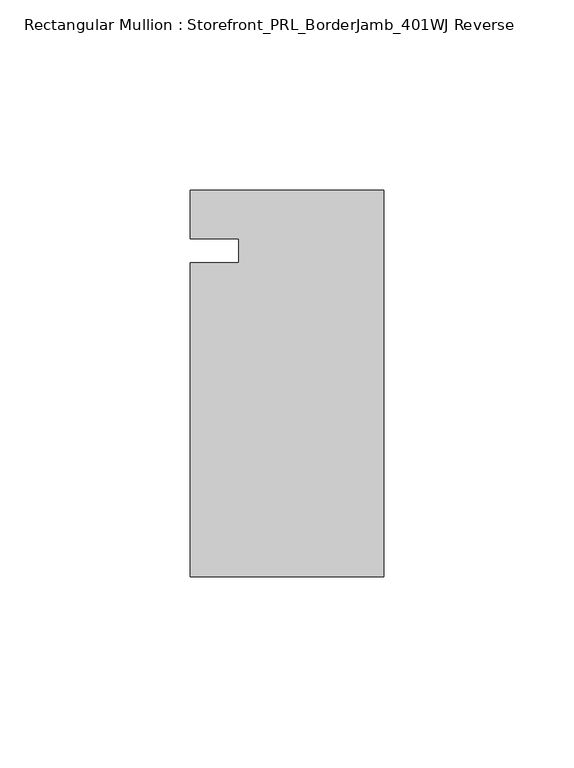
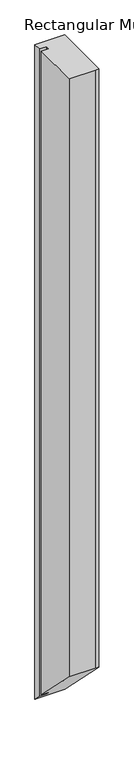
"""IFC4 building model written with IfcOpenShell, lengths in millimetres: member geometry, Rectangular Mullion : Storefront_PRL_BorderJamb_401WJ Reverse."""

import ifcopenshell
import ifcopenshell.guid

model = None  # the IFC model being written
_history = None  # IfcOwnerHistory: only IFC2X3 demands one
_inside = {}  # id of a spatial element -> (the spatial element, [elements in it])
_under = {}  # id of a project, library or spatial element -> (it, [spatial elements below it])
_declared = {}  # id of a project -> (the project, [libraries it declares])
_typed = {}  # id of a type object -> (the type object, [elements of that type])
_made_of = {}  # id of a material, layer set ... -> (it, [elements and type objects made of it])


def new_model(schema):
    """Start an empty IFC model of exactly this schema.

    Asked for "IFC4X3", IfcOpenShell would pick the latest addendum, in which some entities
    have other attributes; the version numbers below select the first issue.
    IFC2X3 requires an IfcOwnerHistory on every rooted entity: one is made here for all.
    """
    global model, _history
    if schema == "IFC4X3":
        model = ifcopenshell.file(schema_version=(4, 3, 0, 0))
    else:
        model = ifcopenshell.file(schema=schema)
    _inside.clear()
    _under.clear()
    _declared.clear()
    _typed.clear()
    _made_of.clear()
    _history = None
    if model.schema == "IFC2X3":
        org = make("IfcOrganization", Name="unknown")
        user = make(
            "IfcPersonAndOrganization",
            ThePerson=make("IfcPerson", FamilyName="unknown"),
            TheOrganization=org,
        )
        app = make(
            "IfcApplication",
            ApplicationDeveloper=org,
            Version="unknown",
            ApplicationFullName="unknown",
            ApplicationIdentifier="unknown",
        )
        _history = make(
            "IfcOwnerHistory",
            OwningUser=user,
            OwningApplication=app,
            ChangeAction="ADDED",
            CreationDate=0,
        )
    return model


def make(cls, **values):
    """One entity of the class cls with the attributes given. An attribute that is None is left unset."""
    return model.create_entity(
        cls, **{name: value for name, value in values.items() if value is not None}
    )


def rooted(cls, **values):
    """An entity with a GlobalId (a new one), such as an element, a storey or a relation."""
    return make(cls, GlobalId=ifcopenshell.guid.new(), OwnerHistory=_history, **values)


def si_unit(unit_type, name, prefix=None):
    """IfcSIUnit, for example si_unit("LENGTHUNIT", "METRE", prefix="MILLI")."""
    return make("IfcSIUnit", UnitType=unit_type, Prefix=prefix, Name=name)


def assignment(units):
    """IfcUnitAssignment: the units of a project."""
    return None if units is None else make("IfcUnitAssignment", Units=units)


def point(xyz):
    """IfcCartesianPoint."""
    return None if xyz is None else make("IfcCartesianPoint", Coordinates=xyz)


def direction(xyz):
    """IfcDirection."""
    return None if xyz is None else make("IfcDirection", DirectionRatios=xyz)


def frame(location, z_axis=None, x_axis=None):
    """IfcAxis2Placement3D, a coordinate frame: its origin and axes. An axis left out is left unset."""
    return make(
        "IfcAxis2Placement3D",
        Location=point(location),
        Axis=direction(z_axis),
        RefDirection=direction(x_axis),
    )


def origin():
    """The frame at (0, 0, 0) with its axes left unset."""
    return frame((0.0, 0.0, 0.0))


def place(relative_to, where):
    """IfcLocalPlacement: puts the frame where relative to a parent placement (None: the world)."""
    return make(
        "IfcLocalPlacement", PlacementRelTo=relative_to, RelativePlacement=where
    )


def context(
    kind, dimensions, precision=None, world=None, true_north=None, identifier=None
):
    """IfcGeometricRepresentationContext, for example the 3D "Model" context."""
    return make(
        "IfcGeometricRepresentationContext",
        ContextIdentifier=identifier,
        ContextType=kind,
        CoordinateSpaceDimension=dimensions,
        Precision=precision,
        WorldCoordinateSystem=world,
        TrueNorth=true_north,
    )


def project(units=None, contexts=None):
    """IfcProject with its units and contexts."""
    return rooted(
        "IfcProject",
        Name="project",
        RepresentationContexts=contexts,
        UnitsInContext=assignment(units),
    )


def spatial(cls, under=None, at=None, **own):
    """A site, building, storey or space (cls), placed at a placement, below another one or the project."""
    s = rooted(cls, ObjectPlacement=at, **own)
    if under is not None:
        _under.setdefault(under.id(), (under, []))[1].append(s)
    return s


def faces_of(points, faces, orient=None, outer=None):
    """IfcFace entities. A face is a list of loops; a loop is a list of indices into points, from 0.

    orient and outer hold one flag for each loop. By default every Orientation is true, the
    first loop of a face is its IfcFaceOuterBound and the others are IfcFaceBound.
    """
    made = []
    for i, loops in enumerate(faces):
        bounds = []
        for j, loop in enumerate(loops):
            is_outer = j == 0 if outer is None else outer[i][j]
            bounds.append(
                make(
                    "IfcFaceOuterBound" if is_outer else "IfcFaceBound",
                    Bound=make("IfcPolyLoop", Polygon=[points[k] for k in loop]),
                    Orientation=True if orient is None else orient[i][j],
                )
            )
        made.append(make("IfcFace", Bounds=bounds))
    return made


def faceted_brep(points, faces, orient=None, outer=None, voids=None):
    """IfcFacetedBrep: a solid bounded by flat faces; with voids (closed shells), ...WithVoids."""
    shared = [point(p) for p in points]
    hull = make("IfcClosedShell", CfsFaces=faces_of(shared, faces, orient, outer))
    if voids is None:
        return make("IfcFacetedBrep", Outer=hull)
    return make(
        "IfcFacetedBrepWithVoids",
        Outer=hull,
        Voids=[
            make(cls, CfsFaces=faces_of(shared, fs, o, b)) for cls, fs, o, b in voids
        ],
    )


def shape(context_of_items, identifier, shape_type, items):
    """IfcShapeRepresentation: the items that make up one representation, for example the "Body"."""
    return make(
        "IfcShapeRepresentation",
        ContextOfItems=context_of_items,
        RepresentationIdentifier=identifier,
        RepresentationType=shape_type,
        Items=items,
    )


def source(mapping_origin, context_of_items, identifier, shape_type, items):
    """IfcRepresentationMap: a shape defined once, which mapped items show again and again."""
    return make(
        "IfcRepresentationMap",
        MappingOrigin=mapping_origin,
        MappedRepresentation=shape(context_of_items, identifier, shape_type, items),
    )


def transform(
    local_origin,
    x_axis=None,
    y_axis=None,
    z_axis=None,
    scale=None,
    scale2=None,
    scale3=None,
    uniform=True,
):
    """IfcCartesianTransformationOperator3D, or its non-uniform kind. x_axis, y_axis, z_axis: its Axis1, 2, 3."""
    if uniform:
        return make(
            "IfcCartesianTransformationOperator3D",
            Axis1=direction(x_axis),
            Axis2=direction(y_axis),
            LocalOrigin=point(local_origin),
            Scale=scale,
            Axis3=direction(z_axis),
        )
    return make(
        "IfcCartesianTransformationOperator3DnonUniform",
        Axis1=direction(x_axis),
        Axis2=direction(y_axis),
        LocalOrigin=point(local_origin),
        Scale=scale,
        Axis3=direction(z_axis),
        Scale2=scale2,
        Scale3=scale3,
    )


def mapped(mapping_source, mapping_target):
    """IfcMappedItem: shows the shape of a source again, moved by a transform."""
    return make(
        "IfcMappedItem", MappingSource=mapping_source, MappingTarget=mapping_target
    )


def made_of(thing, what):
    """Note that an element or type object is made of a material, layer set ...; save() writes the relation."""
    if what is not None:
        _made_of.setdefault(what.id(), (what, []))[1].append(thing)
    return thing


def element(
    cls,
    number,
    at=None,
    inside=None,
    cuts=None,
    type_object=None,
    material=None,
    context=None,
    identifier="Body",
    shape_type=None,
    held_by="IfcProductDefinitionShape",
    body=None,
    shapes=None,
    **own,
):
    """One element of the class cls, such as IfcWall. Its Tag is "e" and its number.

    at: its placement. inside: the storey or other place that contains it. cuts: it is an
    opening in that element (IfcRelVoidsElement). A single representation is given by context,
    identifier, shape_type and body (its items); several are given by shapes. held_by: the class
    of the entity that holds the representations. save() writes the other relations.
    """
    e = rooted(cls, Tag="e%d" % number, ObjectPlacement=at, **own)
    if body is not None:
        shapes = [shape(context, identifier, shape_type, body)]
    if shapes is not None:
        e.Representation = make(held_by, Representations=shapes)
    if inside is not None:
        _inside.setdefault(inside.id(), (inside, []))[1].append(e)
    if cuts is not None:
        rooted(
            "IfcRelVoidsElement", RelatingBuildingElement=cuts, RelatedOpeningElement=e
        )
    if type_object is not None:
        _typed.setdefault(type_object.id(), (type_object, []))[1].append(e)
    return made_of(e, material)


def aggregate(whole, parts):
    """IfcRelAggregates: a whole, such as a stair, and the parts it consists of."""
    return rooted("IfcRelAggregates", RelatingObject=whole, RelatedObjects=parts)


def save(model, path):
    """Write the relations noted so far, then the file.

    IfcRelAggregates (storeys below a building ...), IfcRelContainedInSpatialStructure (elements
    in a storey), IfcRelDefinesByType, IfcRelAssociatesMaterial and IfcRelDeclares: one each for
    every whole, place, type object, material and project.
    """
    for whole, parts in _under.values():
        aggregate(whole, parts)
    for where, things in _inside.values():
        rooted(
            "IfcRelContainedInSpatialStructure",
            RelatedElements=things,
            RelatingStructure=where,
        )
    for kind, things in _typed.values():
        rooted("IfcRelDefinesByType", RelatedObjects=things, RelatingType=kind)
    for what, things in _made_of.values():
        rooted("IfcRelAssociatesMaterial", RelatedObjects=things, RelatingMaterial=what)
    for by, libraries in _declared.values():
        rooted("IfcRelDeclares", RelatingContext=by, RelatedDefinitions=libraries)
    model.write(path)


def rectangular_mullion_storefront_prl_borderjamb_401wj_reverse_4656654a(model_context):
    return source(origin(), model_context, "Body", "Brep", [
        faceted_brep([(-38.1, -3.175, 0.0), (-50.8, -3.175, 0.0), (-50.8, -85.725, 0.0), (-6.35, -85.725, 0.0), (0.0, -85.725, 0.0), (0.0, 15.875, 0.0), (-7.3958824, 15.875, 0.0), (-50.8, 15.875, 0.0), (-50.8, 3.175, 0.0), (-38.1, 3.175, 0.0), (-38.1, -3.175, -1165.225), (-50.8, -3.175, -1165.225), (-50.8, -85.725, -1082.675), (-6.35, -85.725, -1082.675), (0.0, -85.725, -1082.675), (0.0, 15.875, -1184.275), (-7.3958824, 15.875, -1184.275), (-50.8, 15.875, -1184.275), (-50.8, 3.175, -1171.575), (-38.1, 3.175, -1171.575)], [[[0, 1, 2, 3, 4, 5, 6, 7, 8, 9]], [[1, 0, 10, 11]], [[2, 1, 11, 12]], [[3, 2, 12, 13]], [[4, 3, 13, 14]], [[5, 4, 14, 15]], [[6, 5, 15, 16]], [[7, 6, 16, 17]], [[8, 7, 17, 18]], [[9, 8, 18, 19]], [[0, 9, 19, 10]], [[10, 19, 18, 17, 16, 15, 14, 13, 12, 11]]]),
    ])


if __name__ == "__main__":
    model = new_model("IFC4")
    model_context = context("Model", 3, world=origin())
    ifc_project = project(units=[si_unit("LENGTHUNIT", "METRE", prefix="MILLI")], contexts=[model_context])
    site = spatial("IfcSite", under=ifc_project)
    building = spatial("IfcBuilding", under=site)
    placement = place(None, origin())
    rectangular_mullion_storefront_prl_borderjamb_401wj_reverse_shape = rectangular_mullion_storefront_prl_borderjamb_401wj_reverse_4656654a(model_context)
    element("IfcMember", 1, ObjectType="Rectangular Mullion : Storefront_PRL_BorderJamb_401WJ Reverse", at=placement, inside=building, context=model_context, shape_type="MappedRepresentation", body=[
        mapped(rectangular_mullion_storefront_prl_borderjamb_401wj_reverse_shape, transform((0.0, 0.0, 0.0), x_axis=(1.0, 0.0, 0.0), y_axis=(0.0, 1.0, 0.0), z_axis=(0.0, 0.0, 1.0))),
    ])
    save(model, "model.ifc")
